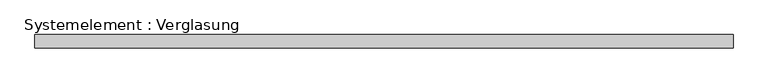
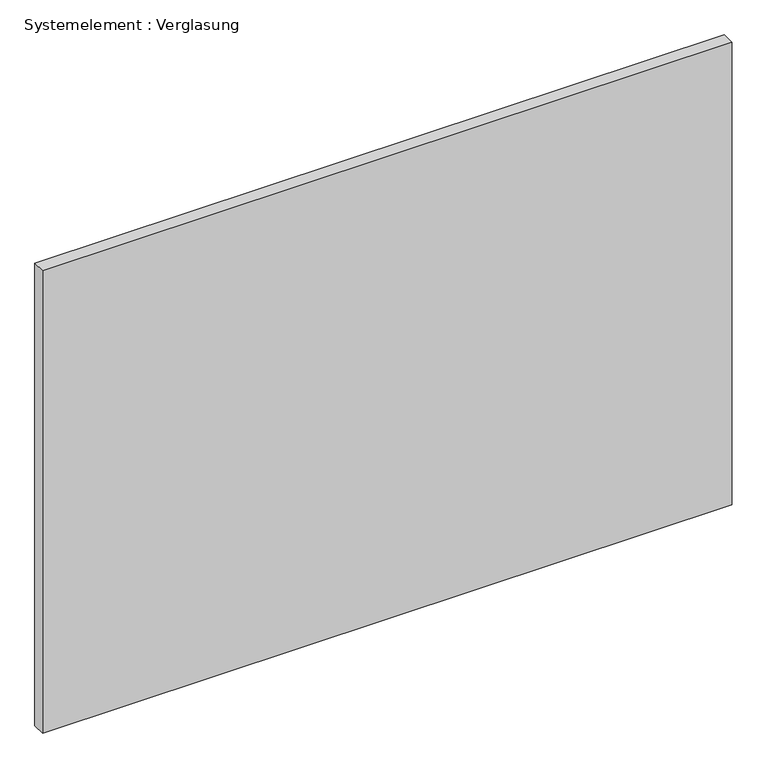
"""IFC4 building model written with IfcOpenShell, lengths in millimetres: plate geometry, Systemelement : Verglasung."""

from ifc_helpers import new_model, si_unit, origin, origin_with_axes, place, context, project, spatial, polyline, outline, extrude, source, transform, mapped, element, save


def systemelement_verglasung_6ac29f2a(model_context):
    return source(origin(), model_context, "Body", "SweptSolid", [
        extrude(outline(polyline([(782.5, -15.0), (-782.5, -15.0), (-782.5, 15.0), (782.5, 15.0), (782.5, -15.0)])), origin_with_axes(), (0.0, 0.0, 1.0), 1108.8888889),
    ])


if __name__ == "__main__":
    model = new_model("IFC4")
    model_context = context("Model", 3, world=origin())
    ifc_project = project(units=[si_unit("LENGTHUNIT", "METRE", prefix="MILLI")], contexts=[model_context])
    site = spatial("IfcSite", under=ifc_project)
    building = spatial("IfcBuilding", under=site)
    placement = place(None, origin())
    systemelement_verglasung_shape = systemelement_verglasung_6ac29f2a(model_context)
    element("IfcPlate", 1, ObjectType="Systemelement : Verglasung", at=placement, inside=building, context=model_context, shape_type="MappedRepresentation", body=[
        mapped(systemelement_verglasung_shape, transform((0.0, 0.0, 0.0), x_axis=(1.0, 0.0, 0.0), y_axis=(0.0, 1.0, 0.0), z_axis=(0.0, 0.0, 1.0))),
    ])
    save(model, "model.ifc")
